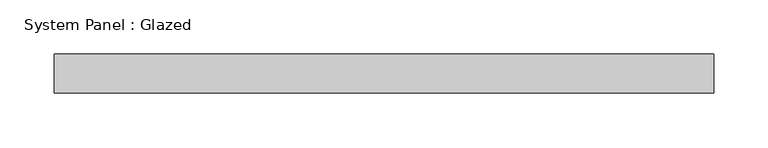
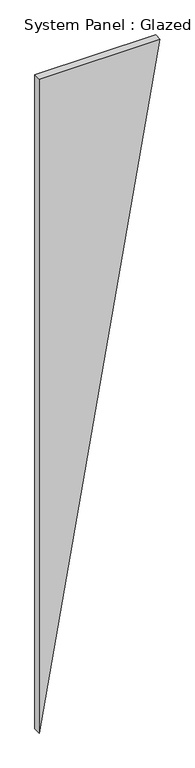
"""IFC4 building model written with IfcOpenShell, lengths in millimetres: plate geometry, System Panel : Glazed."""

from ifc_helpers import new_model, si_unit, frame, origin, place, context, project, spatial, polyline, outline, extrude, source, transform, mapped, element, save


def system_panel_glazed_a1e86ac6(model_context):
    return source(origin(), model_context, "Body", "SweptSolid", [
        extrude(outline(polyline([(0.0, -303.6394738), (3476.1218163, 303.6394738), (3476.1218163, -303.6394738), (0.0, -303.6394738)])), frame((0.0, -18.0, 0.0), z_axis=(0.0, 1.0, 0.0), x_axis=(0.0, 0.0, 1.0)), (0.0, 0.0, 1.0), 36.0),
    ])


if __name__ == "__main__":
    model = new_model("IFC4")
    model_context = context("Model", 3, world=origin())
    ifc_project = project(units=[si_unit("LENGTHUNIT", "METRE", prefix="MILLI")], contexts=[model_context])
    site = spatial("IfcSite", under=ifc_project)
    building = spatial("IfcBuilding", under=site)
    placement = place(None, origin())
    system_panel_glazed_shape = system_panel_glazed_a1e86ac6(model_context)
    element("IfcPlate", 1, ObjectType="System Panel : Glazed", at=placement, inside=building, context=model_context, shape_type="MappedRepresentation", body=[
        mapped(system_panel_glazed_shape, transform((0.0, 0.0, 0.0), x_axis=(1.0, 0.0, 0.0), y_axis=(0.0, 1.0, 0.0), z_axis=(0.0, 0.0, 1.0))),
    ])
    save(model, "model.ifc")
